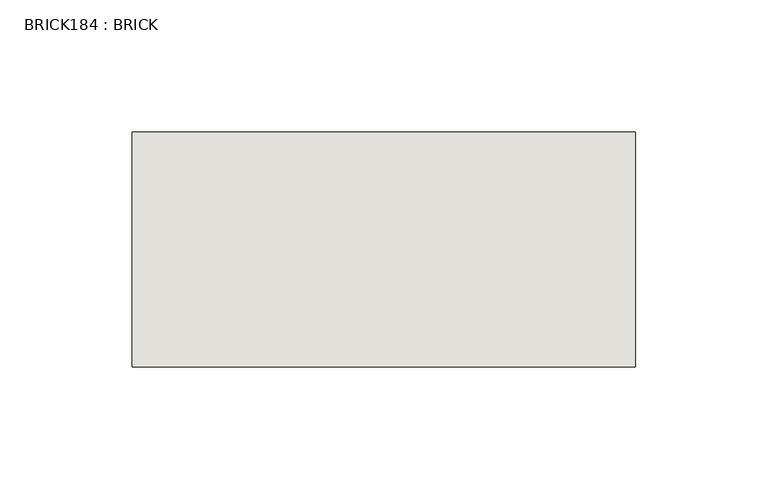
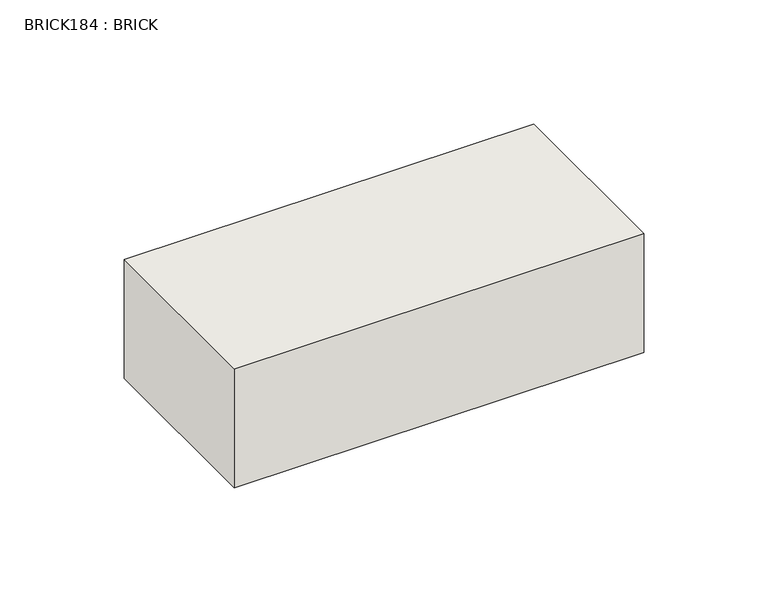
"""IFC4 building model written with IfcOpenShell, lengths in millimetres: wall geometry, BRICK184 : BRICK."""

from ifc_helpers import new_model, si_unit, frame, origin, place, context, project, spatial, polyline, outline, extrude, source, transform, mapped, element, save


def brick184_brick_bc3d682b(model_context):
    return source(origin(), model_context, "Body", "SweptSolid", [
        extrude(outline(polyline([(-261.8574357, 3062.3923312), (-71.3574357, 3062.3923312), (-71.3574357, 2973.4923312), (-261.8574357, 2973.4923312), (-261.8574357, 3062.3923312)])), frame((0.0, 0.0, 423.2671875), z_axis=(0.0, 0.0, 1.0), x_axis=(1.0, 0.0, 0.0)), (0.0, 0.0, 1.0), 58.4398437),
    ])


if __name__ == "__main__":
    model = new_model("IFC4")
    model_context = context("Model", 3, world=origin())
    ifc_project = project(units=[si_unit("LENGTHUNIT", "METRE", prefix="MILLI")], contexts=[model_context])
    site = spatial("IfcSite", under=ifc_project)
    building = spatial("IfcBuilding", under=site)
    placement = place(None, origin())
    brick184_brick_shape = brick184_brick_bc3d682b(model_context)
    element("IfcWall", 1, ObjectType="BRICK184 : BRICK", at=placement, inside=building, context=model_context, shape_type="MappedRepresentation", body=[
        mapped(brick184_brick_shape, transform((0.0, 0.0, 0.0), x_axis=(1.0, 0.0, 0.0), y_axis=(0.0, 1.0, 0.0), z_axis=(0.0, 0.0, 1.0))),
    ])
    save(model, "model.ifc")
